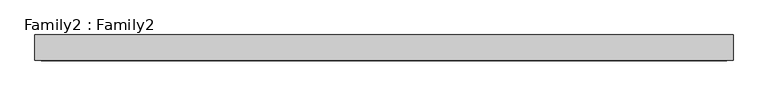
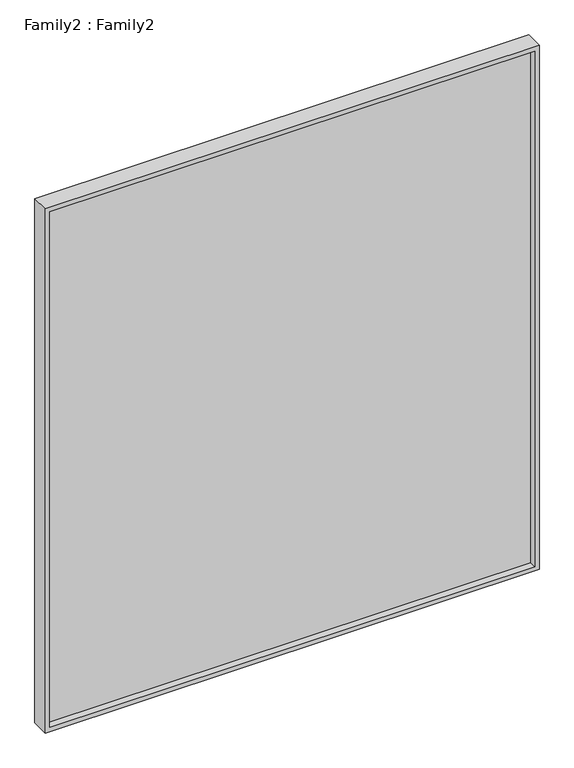
"""IFC4 building model written with IfcOpenShell, lengths in millimetres: plate geometry, Family2 : Family2."""

import ifcopenshell
import ifcopenshell.guid

model = None  # the IFC model being written
_history = None  # IfcOwnerHistory: only IFC2X3 demands one
_inside = {}  # id of a spatial element -> (the spatial element, [elements in it])
_under = {}  # id of a project, library or spatial element -> (it, [spatial elements below it])
_declared = {}  # id of a project -> (the project, [libraries it declares])
_typed = {}  # id of a type object -> (the type object, [elements of that type])
_made_of = {}  # id of a material, layer set ... -> (it, [elements and type objects made of it])


def new_model(schema):
    """Start an empty IFC model of exactly this schema.

    Asked for "IFC4X3", IfcOpenShell would pick the latest addendum, in which some entities
    have other attributes; the version numbers below select the first issue.
    IFC2X3 requires an IfcOwnerHistory on every rooted entity: one is made here for all.
    """
    global model, _history
    if schema == "IFC4X3":
        model = ifcopenshell.file(schema_version=(4, 3, 0, 0))
    else:
        model = ifcopenshell.file(schema=schema)
    _inside.clear()
    _under.clear()
    _declared.clear()
    _typed.clear()
    _made_of.clear()
    _history = None
    if model.schema == "IFC2X3":
        org = make("IfcOrganization", Name="unknown")
        user = make(
            "IfcPersonAndOrganization",
            ThePerson=make("IfcPerson", FamilyName="unknown"),
            TheOrganization=org,
        )
        app = make(
            "IfcApplication",
            ApplicationDeveloper=org,
            Version="unknown",
            ApplicationFullName="unknown",
            ApplicationIdentifier="unknown",
        )
        _history = make(
            "IfcOwnerHistory",
            OwningUser=user,
            OwningApplication=app,
            ChangeAction="ADDED",
            CreationDate=0,
        )
    return model


def make(cls, **values):
    """One entity of the class cls with the attributes given. An attribute that is None is left unset."""
    return model.create_entity(
        cls, **{name: value for name, value in values.items() if value is not None}
    )


def rooted(cls, **values):
    """An entity with a GlobalId (a new one), such as an element, a storey or a relation."""
    return make(cls, GlobalId=ifcopenshell.guid.new(), OwnerHistory=_history, **values)


def si_unit(unit_type, name, prefix=None):
    """IfcSIUnit, for example si_unit("LENGTHUNIT", "METRE", prefix="MILLI")."""
    return make("IfcSIUnit", UnitType=unit_type, Prefix=prefix, Name=name)


def assignment(units):
    """IfcUnitAssignment: the units of a project."""
    return None if units is None else make("IfcUnitAssignment", Units=units)


def point(xyz):
    """IfcCartesianPoint."""
    return None if xyz is None else make("IfcCartesianPoint", Coordinates=xyz)


def direction(xyz):
    """IfcDirection."""
    return None if xyz is None else make("IfcDirection", DirectionRatios=xyz)


def frame(location, z_axis=None, x_axis=None):
    """IfcAxis2Placement3D, a coordinate frame: its origin and axes. An axis left out is left unset."""
    return make(
        "IfcAxis2Placement3D",
        Location=point(location),
        Axis=direction(z_axis),
        RefDirection=direction(x_axis),
    )


def origin():
    """The frame at (0, 0, 0) with its axes left unset."""
    return frame((0.0, 0.0, 0.0))


def place(relative_to, where):
    """IfcLocalPlacement: puts the frame where relative to a parent placement (None: the world)."""
    return make(
        "IfcLocalPlacement", PlacementRelTo=relative_to, RelativePlacement=where
    )


def context(
    kind, dimensions, precision=None, world=None, true_north=None, identifier=None
):
    """IfcGeometricRepresentationContext, for example the 3D "Model" context."""
    return make(
        "IfcGeometricRepresentationContext",
        ContextIdentifier=identifier,
        ContextType=kind,
        CoordinateSpaceDimension=dimensions,
        Precision=precision,
        WorldCoordinateSystem=world,
        TrueNorth=true_north,
    )


def project(units=None, contexts=None):
    """IfcProject with its units and contexts."""
    return rooted(
        "IfcProject",
        Name="project",
        RepresentationContexts=contexts,
        UnitsInContext=assignment(units),
    )


def spatial(cls, under=None, at=None, **own):
    """A site, building, storey or space (cls), placed at a placement, below another one or the project."""
    s = rooted(cls, ObjectPlacement=at, **own)
    if under is not None:
        _under.setdefault(under.id(), (under, []))[1].append(s)
    return s


def polyline(points):
    """IfcPolyline through the points."""
    return make("IfcPolyline", Points=[point(p) for p in points])


def outline(outer, holes=None, kind="AREA"):
    """IfcArbitraryClosedProfileDef: a profile drawn as a closed curve; with holes, ...WithVoids."""
    if holes is None:
        return make("IfcArbitraryClosedProfileDef", ProfileType=kind, OuterCurve=outer)
    return make(
        "IfcArbitraryProfileDefWithVoids",
        ProfileType=kind,
        OuterCurve=outer,
        InnerCurves=holes,
    )


def extrude(swept, where, along, depth):
    """IfcExtrudedAreaSolid: the profile swept, set in the frame where, extruded along a direction by depth."""
    return make(
        "IfcExtrudedAreaSolid",
        SweptArea=swept,
        Position=where,
        ExtrudedDirection=direction(along),
        Depth=depth,
    )


def shape(context_of_items, identifier, shape_type, items):
    """IfcShapeRepresentation: the items that make up one representation, for example the "Body"."""
    return make(
        "IfcShapeRepresentation",
        ContextOfItems=context_of_items,
        RepresentationIdentifier=identifier,
        RepresentationType=shape_type,
        Items=items,
    )


def source(mapping_origin, context_of_items, identifier, shape_type, items):
    """IfcRepresentationMap: a shape defined once, which mapped items show again and again."""
    return make(
        "IfcRepresentationMap",
        MappingOrigin=mapping_origin,
        MappedRepresentation=shape(context_of_items, identifier, shape_type, items),
    )


def transform(
    local_origin,
    x_axis=None,
    y_axis=None,
    z_axis=None,
    scale=None,
    scale2=None,
    scale3=None,
    uniform=True,
):
    """IfcCartesianTransformationOperator3D, or its non-uniform kind. x_axis, y_axis, z_axis: its Axis1, 2, 3."""
    if uniform:
        return make(
            "IfcCartesianTransformationOperator3D",
            Axis1=direction(x_axis),
            Axis2=direction(y_axis),
            LocalOrigin=point(local_origin),
            Scale=scale,
            Axis3=direction(z_axis),
        )
    return make(
        "IfcCartesianTransformationOperator3DnonUniform",
        Axis1=direction(x_axis),
        Axis2=direction(y_axis),
        LocalOrigin=point(local_origin),
        Scale=scale,
        Axis3=direction(z_axis),
        Scale2=scale2,
        Scale3=scale3,
    )


def mapped(mapping_source, mapping_target):
    """IfcMappedItem: shows the shape of a source again, moved by a transform."""
    return make(
        "IfcMappedItem", MappingSource=mapping_source, MappingTarget=mapping_target
    )


def made_of(thing, what):
    """Note that an element or type object is made of a material, layer set ...; save() writes the relation."""
    if what is not None:
        _made_of.setdefault(what.id(), (what, []))[1].append(thing)
    return thing


def element(
    cls,
    number,
    at=None,
    inside=None,
    cuts=None,
    type_object=None,
    material=None,
    context=None,
    identifier="Body",
    shape_type=None,
    held_by="IfcProductDefinitionShape",
    body=None,
    shapes=None,
    **own,
):
    """One element of the class cls, such as IfcWall. Its Tag is "e" and its number.

    at: its placement. inside: the storey or other place that contains it. cuts: it is an
    opening in that element (IfcRelVoidsElement). A single representation is given by context,
    identifier, shape_type and body (its items); several are given by shapes. held_by: the class
    of the entity that holds the representations. save() writes the other relations.
    """
    e = rooted(cls, Tag="e%d" % number, ObjectPlacement=at, **own)
    if body is not None:
        shapes = [shape(context, identifier, shape_type, body)]
    if shapes is not None:
        e.Representation = make(held_by, Representations=shapes)
    if inside is not None:
        _inside.setdefault(inside.id(), (inside, []))[1].append(e)
    if cuts is not None:
        rooted(
            "IfcRelVoidsElement", RelatingBuildingElement=cuts, RelatedOpeningElement=e
        )
    if type_object is not None:
        _typed.setdefault(type_object.id(), (type_object, []))[1].append(e)
    return made_of(e, material)


def aggregate(whole, parts):
    """IfcRelAggregates: a whole, such as a stair, and the parts it consists of."""
    return rooted("IfcRelAggregates", RelatingObject=whole, RelatedObjects=parts)


def save(model, path):
    """Write the relations noted so far, then the file.

    IfcRelAggregates (storeys below a building ...), IfcRelContainedInSpatialStructure (elements
    in a storey), IfcRelDefinesByType, IfcRelAssociatesMaterial and IfcRelDeclares: one each for
    every whole, place, type object, material and project.
    """
    for whole, parts in _under.values():
        aggregate(whole, parts)
    for where, things in _inside.values():
        rooted(
            "IfcRelContainedInSpatialStructure",
            RelatedElements=things,
            RelatingStructure=where,
        )
    for kind, things in _typed.values():
        rooted("IfcRelDefinesByType", RelatedObjects=things, RelatingType=kind)
    for what, things in _made_of.values():
        rooted("IfcRelAssociatesMaterial", RelatedObjects=things, RelatingMaterial=what)
    for by, libraries in _declared.values():
        rooted("IfcRelDeclares", RelatingContext=by, RelatedDefinitions=libraries)
    model.write(path)


def family2_family2_9af77b1c(model_context):
    return source(origin(), model_context, "Body", "SweptSolid", [
        extrude(outline(polyline([(2450.0, -1092.5), (0.0, -1092.5), (0.0, 1092.5), (2450.0, 1092.5), (2450.0, -1092.5)]), holes=[polyline([(20.0, -1072.5), (2430.0, -1072.5), (2430.0, 1072.5), (20.0, 1072.5), (20.0, -1072.5)])]), frame((0.0, -40.0, 0.0), z_axis=(0.0, 1.0, 0.0), x_axis=(0.0, 0.0, 1.0)), (0.0, 0.0, 1.0), 80.0),
        extrude(outline(polyline([(1072.5, -10.0), (-1072.5, -10.0), (-1072.5, 10.0), (1072.5, 10.0), (1072.5, -10.0)])), frame((0.0, 0.0, 20.0), z_axis=(0.0, 0.0, 1.0), x_axis=(1.0, 0.0, 0.0)), (0.0, 0.0, 1.0), 2410.0),
    ])


if __name__ == "__main__":
    model = new_model("IFC4")
    model_context = context("Model", 3, world=origin())
    ifc_project = project(units=[si_unit("LENGTHUNIT", "METRE", prefix="MILLI")], contexts=[model_context])
    site = spatial("IfcSite", under=ifc_project)
    building = spatial("IfcBuilding", under=site)
    placement = place(None, origin())
    family2_family2_shape = family2_family2_9af77b1c(model_context)
    element("IfcPlate", 1, ObjectType="Family2 : Family2", at=placement, inside=building, context=model_context, shape_type="MappedRepresentation", body=[
        mapped(family2_family2_shape, transform((0.0, 0.0, 0.0), x_axis=(1.0, 0.0, 0.0), y_axis=(0.0, 1.0, 0.0), z_axis=(0.0, 0.0, 1.0))),
    ])
    save(model, "model.ifc")
